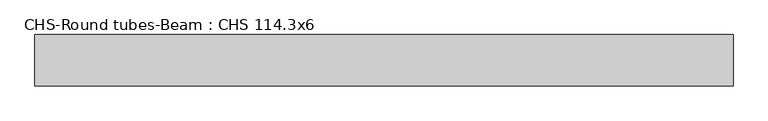
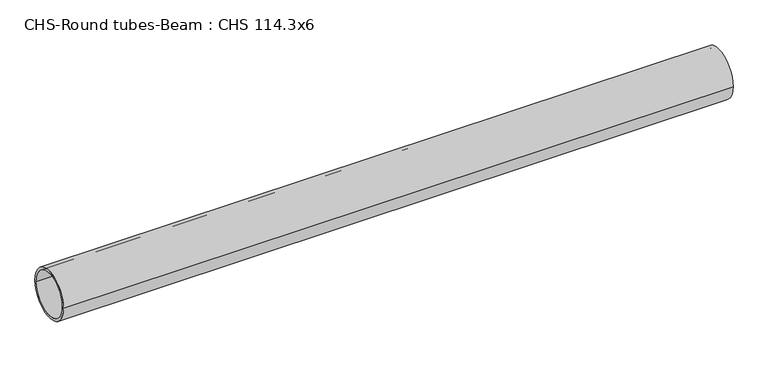
"""IFC4 building model written with IfcOpenShell, lengths in millimetres: beam geometry, CHS-Round tubes-Beam : CHS 114.3x6."""

import ifcopenshell
import ifcopenshell.guid

model = None  # the IFC model being written
_history = None  # IfcOwnerHistory: only IFC2X3 demands one
_inside = {}  # id of a spatial element -> (the spatial element, [elements in it])
_under = {}  # id of a project, library or spatial element -> (it, [spatial elements below it])
_declared = {}  # id of a project -> (the project, [libraries it declares])
_typed = {}  # id of a type object -> (the type object, [elements of that type])
_made_of = {}  # id of a material, layer set ... -> (it, [elements and type objects made of it])


def new_model(schema):
    """Start an empty IFC model of exactly this schema.

    Asked for "IFC4X3", IfcOpenShell would pick the latest addendum, in which some entities
    have other attributes; the version numbers below select the first issue.
    IFC2X3 requires an IfcOwnerHistory on every rooted entity: one is made here for all.
    """
    global model, _history
    if schema == "IFC4X3":
        model = ifcopenshell.file(schema_version=(4, 3, 0, 0))
    else:
        model = ifcopenshell.file(schema=schema)
    _inside.clear()
    _under.clear()
    _declared.clear()
    _typed.clear()
    _made_of.clear()
    _history = None
    if model.schema == "IFC2X3":
        org = make("IfcOrganization", Name="unknown")
        user = make(
            "IfcPersonAndOrganization",
            ThePerson=make("IfcPerson", FamilyName="unknown"),
            TheOrganization=org,
        )
        app = make(
            "IfcApplication",
            ApplicationDeveloper=org,
            Version="unknown",
            ApplicationFullName="unknown",
            ApplicationIdentifier="unknown",
        )
        _history = make(
            "IfcOwnerHistory",
            OwningUser=user,
            OwningApplication=app,
            ChangeAction="ADDED",
            CreationDate=0,
        )
    return model


def make(cls, **values):
    """One entity of the class cls with the attributes given. An attribute that is None is left unset."""
    return model.create_entity(
        cls, **{name: value for name, value in values.items() if value is not None}
    )


def rooted(cls, **values):
    """An entity with a GlobalId (a new one), such as an element, a storey or a relation."""
    return make(cls, GlobalId=ifcopenshell.guid.new(), OwnerHistory=_history, **values)


def si_unit(unit_type, name, prefix=None):
    """IfcSIUnit, for example si_unit("LENGTHUNIT", "METRE", prefix="MILLI")."""
    return make("IfcSIUnit", UnitType=unit_type, Prefix=prefix, Name=name)


def assignment(units):
    """IfcUnitAssignment: the units of a project."""
    return None if units is None else make("IfcUnitAssignment", Units=units)


def point(xyz):
    """IfcCartesianPoint."""
    return None if xyz is None else make("IfcCartesianPoint", Coordinates=xyz)


def direction(xyz):
    """IfcDirection."""
    return None if xyz is None else make("IfcDirection", DirectionRatios=xyz)


def frame(location, z_axis=None, x_axis=None):
    """IfcAxis2Placement3D, a coordinate frame: its origin and axes. An axis left out is left unset."""
    return make(
        "IfcAxis2Placement3D",
        Location=point(location),
        Axis=direction(z_axis),
        RefDirection=direction(x_axis),
    )


def frame_2d(location, x_axis=None):
    """IfcAxis2Placement2D, a coordinate frame in the plane: its origin and x axis."""
    return make(
        "IfcAxis2Placement2D", Location=point(location), RefDirection=direction(x_axis)
    )


def origin():
    """The frame at (0, 0, 0) with its axes left unset."""
    return frame((0.0, 0.0, 0.0))


def origin_2d():
    """The frame at (0, 0) in the plane with its x axis left unset."""
    return frame_2d((0.0, 0.0))


def place(relative_to, where):
    """IfcLocalPlacement: puts the frame where relative to a parent placement (None: the world)."""
    return make(
        "IfcLocalPlacement", PlacementRelTo=relative_to, RelativePlacement=where
    )


def context(
    kind, dimensions, precision=None, world=None, true_north=None, identifier=None
):
    """IfcGeometricRepresentationContext, for example the 3D "Model" context."""
    return make(
        "IfcGeometricRepresentationContext",
        ContextIdentifier=identifier,
        ContextType=kind,
        CoordinateSpaceDimension=dimensions,
        Precision=precision,
        WorldCoordinateSystem=world,
        TrueNorth=true_north,
    )


def project(units=None, contexts=None):
    """IfcProject with its units and contexts."""
    return rooted(
        "IfcProject",
        Name="project",
        RepresentationContexts=contexts,
        UnitsInContext=assignment(units),
    )


def spatial(cls, under=None, at=None, **own):
    """A site, building, storey or space (cls), placed at a placement, below another one or the project."""
    s = rooted(cls, ObjectPlacement=at, **own)
    if under is not None:
        _under.setdefault(under.id(), (under, []))[1].append(s)
    return s


def circle_curve(where, radius):
    """IfcCircle in the frame where."""
    return make("IfcCircle", Position=where, Radius=radius)


def trimmed(basis, trim1, trim2, sense, master):
    """IfcTrimmedCurve: the piece of a basis curve between two trims."""
    return make(
        "IfcTrimmedCurve",
        BasisCurve=basis,
        Trim1=trim1,
        Trim2=trim2,
        SenseAgreement=sense,
        MasterRepresentation=master,
    )


def segment(curve, same_sense, transition):
    """IfcCompositeCurveSegment."""
    return make(
        "IfcCompositeCurveSegment",
        Transition=transition,
        SameSense=same_sense,
        ParentCurve=curve,
    )


def composite_curve(segments, self_intersect=None):
    """IfcCompositeCurve: segments joined end to end."""
    return make("IfcCompositeCurve", Segments=segments, SelfIntersect=self_intersect)


def outline(outer, holes=None, kind="AREA"):
    """IfcArbitraryClosedProfileDef: a profile drawn as a closed curve; with holes, ...WithVoids."""
    if holes is None:
        return make("IfcArbitraryClosedProfileDef", ProfileType=kind, OuterCurve=outer)
    return make(
        "IfcArbitraryProfileDefWithVoids",
        ProfileType=kind,
        OuterCurve=outer,
        InnerCurves=holes,
    )


def extrude(swept, where, along, depth):
    """IfcExtrudedAreaSolid: the profile swept, set in the frame where, extruded along a direction by depth."""
    return make(
        "IfcExtrudedAreaSolid",
        SweptArea=swept,
        Position=where,
        ExtrudedDirection=direction(along),
        Depth=depth,
    )


def shape(context_of_items, identifier, shape_type, items):
    """IfcShapeRepresentation: the items that make up one representation, for example the "Body"."""
    return make(
        "IfcShapeRepresentation",
        ContextOfItems=context_of_items,
        RepresentationIdentifier=identifier,
        RepresentationType=shape_type,
        Items=items,
    )


def source(mapping_origin, context_of_items, identifier, shape_type, items):
    """IfcRepresentationMap: a shape defined once, which mapped items show again and again."""
    return make(
        "IfcRepresentationMap",
        MappingOrigin=mapping_origin,
        MappedRepresentation=shape(context_of_items, identifier, shape_type, items),
    )


def transform(
    local_origin,
    x_axis=None,
    y_axis=None,
    z_axis=None,
    scale=None,
    scale2=None,
    scale3=None,
    uniform=True,
):
    """IfcCartesianTransformationOperator3D, or its non-uniform kind. x_axis, y_axis, z_axis: its Axis1, 2, 3."""
    if uniform:
        return make(
            "IfcCartesianTransformationOperator3D",
            Axis1=direction(x_axis),
            Axis2=direction(y_axis),
            LocalOrigin=point(local_origin),
            Scale=scale,
            Axis3=direction(z_axis),
        )
    return make(
        "IfcCartesianTransformationOperator3DnonUniform",
        Axis1=direction(x_axis),
        Axis2=direction(y_axis),
        LocalOrigin=point(local_origin),
        Scale=scale,
        Axis3=direction(z_axis),
        Scale2=scale2,
        Scale3=scale3,
    )


def mapped(mapping_source, mapping_target):
    """IfcMappedItem: shows the shape of a source again, moved by a transform."""
    return make(
        "IfcMappedItem", MappingSource=mapping_source, MappingTarget=mapping_target
    )


def made_of(thing, what):
    """Note that an element or type object is made of a material, layer set ...; save() writes the relation."""
    if what is not None:
        _made_of.setdefault(what.id(), (what, []))[1].append(thing)
    return thing


def element(
    cls,
    number,
    at=None,
    inside=None,
    cuts=None,
    type_object=None,
    material=None,
    context=None,
    identifier="Body",
    shape_type=None,
    held_by="IfcProductDefinitionShape",
    body=None,
    shapes=None,
    **own,
):
    """One element of the class cls, such as IfcWall. Its Tag is "e" and its number.

    at: its placement. inside: the storey or other place that contains it. cuts: it is an
    opening in that element (IfcRelVoidsElement). A single representation is given by context,
    identifier, shape_type and body (its items); several are given by shapes. held_by: the class
    of the entity that holds the representations. save() writes the other relations.
    """
    e = rooted(cls, Tag="e%d" % number, ObjectPlacement=at, **own)
    if body is not None:
        shapes = [shape(context, identifier, shape_type, body)]
    if shapes is not None:
        e.Representation = make(held_by, Representations=shapes)
    if inside is not None:
        _inside.setdefault(inside.id(), (inside, []))[1].append(e)
    if cuts is not None:
        rooted(
            "IfcRelVoidsElement", RelatingBuildingElement=cuts, RelatedOpeningElement=e
        )
    if type_object is not None:
        _typed.setdefault(type_object.id(), (type_object, []))[1].append(e)
    return made_of(e, material)


def aggregate(whole, parts):
    """IfcRelAggregates: a whole, such as a stair, and the parts it consists of."""
    return rooted("IfcRelAggregates", RelatingObject=whole, RelatedObjects=parts)


def save(model, path):
    """Write the relations noted so far, then the file.

    IfcRelAggregates (storeys below a building ...), IfcRelContainedInSpatialStructure (elements
    in a storey), IfcRelDefinesByType, IfcRelAssociatesMaterial and IfcRelDeclares: one each for
    every whole, place, type object, material and project.
    """
    for whole, parts in _under.values():
        aggregate(whole, parts)
    for where, things in _inside.values():
        rooted(
            "IfcRelContainedInSpatialStructure",
            RelatedElements=things,
            RelatingStructure=where,
        )
    for kind, things in _typed.values():
        rooted("IfcRelDefinesByType", RelatedObjects=things, RelatingType=kind)
    for what, things in _made_of.values():
        rooted("IfcRelAssociatesMaterial", RelatedObjects=things, RelatingMaterial=what)
    for by, libraries in _declared.values():
        rooted("IfcRelDeclares", RelatingContext=by, RelatedDefinitions=libraries)
    model.write(path)


def chs_round_tubes_beam_chs_114_3x6_027b706d(model_context):
    return source(origin(), model_context, "Body", "SweptSolid", [
        extrude(outline(composite_curve([segment(trimmed(circle_curve(origin_2d(), 57.15), [point((57.15, 0.0))], [point((-57.15, 0.0))], False, "CARTESIAN"), True, "CONTINUOUS"), segment(trimmed(circle_curve(origin_2d(), 57.15), [point((-57.15, 0.0))], [point((57.15, 0.0))], False, "CARTESIAN"), True, "CONTINUOUS")], self_intersect=False), holes=[composite_curve([segment(trimmed(circle_curve(origin_2d(), 51.15), [point((51.15, 0.0))], [point((-51.15, 0.0))], True, "CARTESIAN"), True, "CONTINUOUS"), segment(trimmed(circle_curve(origin_2d(), 51.15), [point((-51.15, 0.0))], [point((51.15, 0.0))], True, "CARTESIAN"), True, "CONTINUOUS")], self_intersect=False)]), frame((-744.7471028, 0.0, 0.0), z_axis=(1.0, 0.0, 0.0), x_axis=(0.0, 1.0, 0.0)), (0.0, 0.0, 1.0), 1548.890271),
    ])


if __name__ == "__main__":
    model = new_model("IFC4")
    model_context = context("Model", 3, world=origin())
    ifc_project = project(units=[si_unit("LENGTHUNIT", "METRE", prefix="MILLI")], contexts=[model_context])
    site = spatial("IfcSite", under=ifc_project)
    building = spatial("IfcBuilding", under=site)
    placement = place(None, origin())
    chs_round_tubes_beam_chs_114_3x6_shape = chs_round_tubes_beam_chs_114_3x6_027b706d(model_context)
    element("IfcBeam", 1, ObjectType="CHS-Round tubes-Beam : CHS 114.3x6", at=placement, inside=building, context=model_context, shape_type="MappedRepresentation", body=[
        mapped(chs_round_tubes_beam_chs_114_3x6_shape, transform((0.0, 0.0, 0.0), x_axis=(1.0, 0.0, 0.0), y_axis=(0.0, 1.0, 0.0), z_axis=(0.0, 0.0, 1.0))),
    ])
    save(model, "model.ifc")
